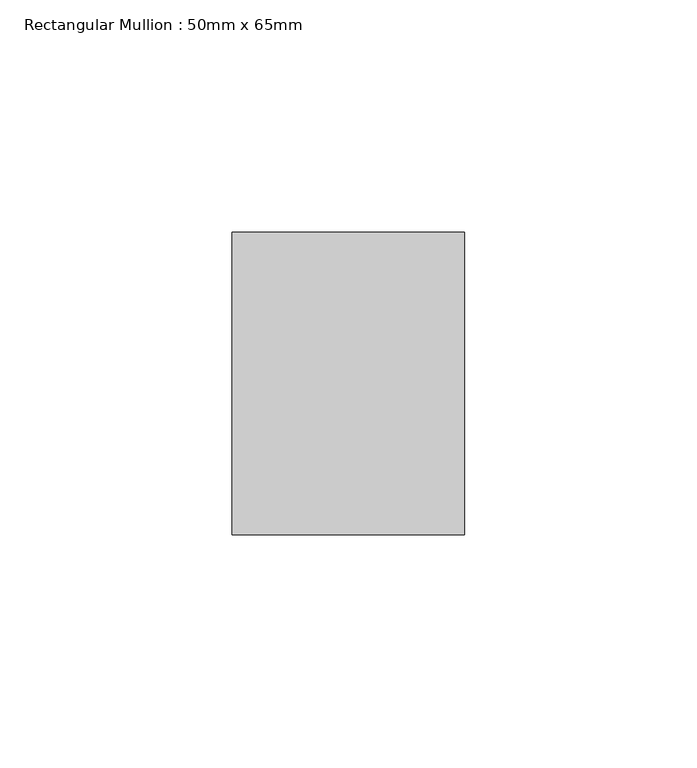
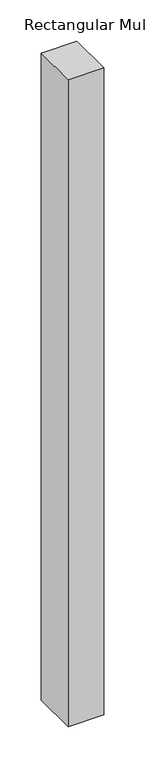
"""IFC4 building model written with IfcOpenShell, lengths in millimetres: member geometry, Rectangular Mullion : 50mm x 65mm."""

from ifc_helpers import new_model, si_unit, frame, origin, place, context, project, spatial, polyline, outline, extrude, source, transform, mapped, element, save


def rectangular_mullion_50mm_x_65mm_687e91f2(model_context):
    return source(origin(), model_context, "Body", "SweptSolid", [
        extrude(outline(polyline([(25.0, 32.5), (25.0, -32.5), (-25.0, -32.5), (-25.0, 32.5), (25.0, 32.5)])), frame((0.0, 0.0, -957.7639598), z_axis=(0.0, 0.0, 1.0), x_axis=(1.0, 0.0, 0.0)), (0.0, 0.0, 1.0), 957.7639598),
    ])


if __name__ == "__main__":
    model = new_model("IFC4")
    model_context = context("Model", 3, world=origin())
    ifc_project = project(units=[si_unit("LENGTHUNIT", "METRE", prefix="MILLI")], contexts=[model_context])
    site = spatial("IfcSite", under=ifc_project)
    building = spatial("IfcBuilding", under=site)
    placement = place(None, origin())
    rectangular_mullion_50mm_x_65mm_shape = rectangular_mullion_50mm_x_65mm_687e91f2(model_context)
    element("IfcMember", 1, ObjectType="Rectangular Mullion : 50mm x 65mm", at=placement, inside=building, context=model_context, shape_type="MappedRepresentation", body=[
        mapped(rectangular_mullion_50mm_x_65mm_shape, transform((0.0, 0.0, 0.0), x_axis=(1.0, 0.0, 0.0), y_axis=(0.0, 1.0, 0.0), z_axis=(0.0, 0.0, 1.0))),
    ])
    save(model, "model.ifc")
